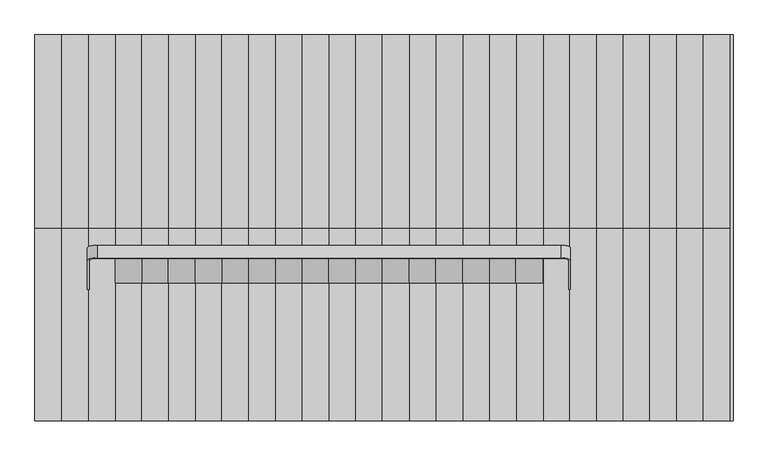
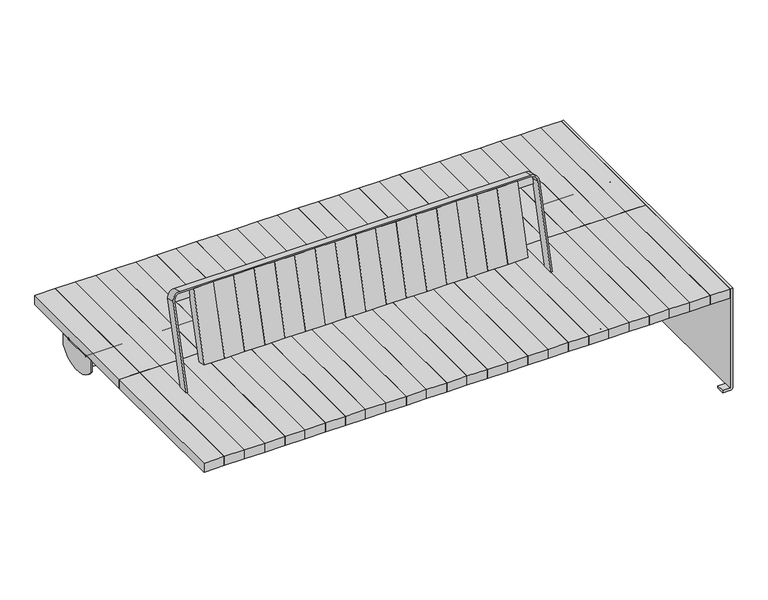
"""IFC4 building model written with IfcOpenShell, lengths in millimetres: furniture geometry."""

from ifc_helpers import new_model, si_unit, point, frame, frame_2d, origin, place, context, project, spatial, polyline, circle_curve, trimmed, segment, composite_curve, outline, extrude, source, transform, mapped, element, save
from ifc_brep_helpers import plane_surface, cylinder_surface, revolved_surface, advanced_brep


def furniture_5f53de30(model_context):
    return source(origin(), model_context, "Body", "SolidModel", [
        advanced_brep(
        [(1073.85, 400.0, 393.1147491), (1073.85, 400.0, 347.7588499), (1073.85, 200.0, 347.7588499), (1073.85, 200.0004802, 395.6382749), (1073.85, 237.5004802, 395.6382749), (1073.85, 237.5004802, 393.1147491), (1073.85, 239.4872061, 393.1147491), (1073.85, 239.4872061, 340.151549), (1073.85, 244.4872061, 340.151549), (1073.85, 244.4872061, 393.1147491), (1073.85, 355.5132741, 393.1147491), (1073.85, 355.5132741, 340.151549), (1073.85, 360.5132741, 340.151549), (1073.85, 360.5132741, 393.1147491), (1078.85, 200.0, 347.7588499), (1078.85, 400.0, 347.7588499), (1078.85, 400.0, 393.1147491), (1078.85, 237.5004802, 393.1147491), (1078.85, 237.5004802, 400.6382749), (1078.85, 200.0004802, 400.6382749), (-1078.85, 200.0, 400.6382749), (-1078.85, 200.0, 347.7588499), (-1073.85, 200.0, 347.7588499), (-1073.85, 200.0, 395.6382749), (1073.85, 237.5004802, 400.6382749), (-1073.85, 237.5004802, 395.6382749), (-1073.85, 237.5004802, 393.1147491), (-1078.85, 237.5004802, 393.1147491), (-1078.85, 237.5004802, 395.6382749), (1073.85, 238.4872061, 400.6382749), (-1078.85, 238.4872061, 400.6382749), (-1078.85, 238.4872061, 395.6382749), (1073.85, 238.4872061, 395.6382749), (-1073.85, 400.0, 347.7588499), (-1073.85, 400.0, 393.1147491), (-1073.85, 360.5132741, 393.1147491), (-1073.85, 360.5132741, 340.151549), (-1073.85, 355.5132741, 340.151549), (-1073.85, 355.5132741, 393.1147491), (-1073.85, 244.4872061, 393.1147491), (-1073.85, 244.4872061, 340.151549), (-1073.85, 239.4872061, 340.151549), (-1073.85, 239.4872061, 393.1147491), (-1078.85, 244.4872061, 394.6382749), (-1078.85, 244.4872061, 393.1147491), (-1078.85, 355.5132741, 393.1147491), (-1078.85, 355.5132741, 394.6382749), (-1078.85, 361.5132741, 400.6382749), (-1078.85, 362.5, 400.6382749), (-1078.85, 362.5, 395.6382749), (-1078.85, 361.5132741, 395.6382749), (-1078.85, 360.5132741, 394.6382749), (-1078.85, 360.5132741, 393.1147491), (-1078.85, 400.0, 393.1147491), (-1078.85, 400.0, 347.7588499), (-1078.85, 239.4872061, 393.1147491), (-1078.85, 239.4872061, 394.6382749), (1073.85, 244.4872061, 394.6382749), (1073.85, 239.4872061, 394.6382749), (1073.85, 360.5132741, 394.6382749), (1073.85, 361.5132741, 395.6382749), (1073.85, 362.5, 395.6382749), (1073.85, 362.5, 400.6382749), (1073.85, 361.5132741, 400.6382749), (1073.85, 355.5132741, 394.6382749)],
        [
            (0, 1),
            (1, 2, circle_curve(frame((1073.85, 300.0, 421.080061), z_axis=(-1.0, 0.0, 0.0), x_axis=(0.0, 0.8064516129032312, -0.5913000896717141)), 124.0)),
            (2, 3),
            (3, 4),
            (4, 5),
            (5, 6),
            (6, 7),
            (7, 8),
            (8, 9),
            (9, 10),
            (10, 11),
            (11, 12),
            (12, 13),
            (13, 0),
            (14, 15, circle_curve(frame((1078.85, 300.0, 421.080061), z_axis=(1.0, 0.0, 0.0), x_axis=(0.0, 0.8064516129032312, -0.5913000896717141)), 124.0)),
            (15, 16),
            (16, 17),
            (17, 18),
            (18, 19),
            (19, 14),
            (2, 14),
            (19, 20),
            (20, 21),
            (21, 22),
            (22, 23),
            (23, 3),
            (16, 0),
            (13, 10),
            (9, 6),
            (5, 17),
            (15, 1),
            (4, 24),
            (24, 18),
            (25, 26),
            (26, 27),
            (27, 28),
            (28, 25),
            (24, 29),
            (29, 30),
            (30, 20),
            (23, 25),
            (28, 31),
            (31, 32),
            (32, 4),
            (22, 33, circle_curve(frame((-1073.85, 300.0, 421.080061), z_axis=(1.0, 0.0, 0.0), x_axis=(0.0, 0.8064516129032312, -0.5913000896717141)), 124.0)),
            (33, 34),
            (34, 35),
            (35, 36),
            (36, 37),
            (37, 38),
            (38, 39),
            (39, 40),
            (40, 41),
            (41, 42),
            (42, 26),
            (30, 43, circle_curve(frame((-1078.85, 238.4872061, 394.6382749), z_axis=(-1.0, 0.0, 0.0), x_axis=(0.0, -1.0, 0.0)), 6.0)),
            (43, 44),
            (44, 45),
            (45, 46),
            (46, 47, circle_curve(frame((-1078.85, 361.5132741, 394.6382749), z_axis=(-1.0, 0.0, 0.0), x_axis=(0.0, 1.0, 0.0)), 6.0)),
            (47, 48),
            (48, 49),
            (49, 50),
            (50, 51, circle_curve(frame((-1078.85, 361.5132741, 394.6382749), z_axis=(1.0, 0.0, 0.0), x_axis=(0.0, 1.0, 0.0)), 1.0)),
            (51, 52),
            (52, 53),
            (53, 54),
            (54, 21, circle_curve(frame((-1078.85, 300.0, 421.080061), z_axis=(-1.0, 0.0, 0.0), x_axis=(0.0, 0.8064516129032312, -0.5913000896717141)), 124.0)),
            (27, 55),
            (55, 56),
            (56, 31, circle_curve(frame((-1078.85, 238.4872061, 394.6382749), z_axis=(1.0, 0.0, 0.0), x_axis=(0.0, -1.0, 0.0)), 1.0)),
            (57, 29, circle_curve(frame((1073.85, 238.4872061, 394.6382749), z_axis=(1.0, 0.0, 0.0), x_axis=(0.0, -1.0, 0.0)), 6.0)),
            (32, 58, circle_curve(frame((1073.85, 238.4872061, 394.6382749), z_axis=(-1.0, 0.0, 0.0), x_axis=(0.0, -1.0, 0.0)), 1.0)),
            (58, 6),
            (9, 57),
            (7, 41),
            (40, 8),
            (43, 57),
            (39, 44),
            (56, 58),
            (55, 42),
            (59, 60, circle_curve(frame((1073.85, 361.5132741, 394.6382749), z_axis=(-1.0, 0.0, 0.0), x_axis=(0.0, 1.0, 0.0)), 1.0)),
            (60, 61),
            (61, 62),
            (62, 63),
            (63, 64, circle_curve(frame((1073.85, 361.5132741, 394.6382749), z_axis=(1.0, 0.0, 0.0), x_axis=(0.0, 1.0, 0.0)), 6.0)),
            (64, 10),
            (13, 59),
            (11, 37),
            (36, 12),
            (64, 46),
            (45, 38),
            (63, 47),
            (62, 48),
            (61, 49),
            (60, 50),
            (59, 51),
            (35, 52),
            (34, 53),
            (33, 54),
        ],
        [
            plane_surface(frame((1073.85, 200.0, 347.7588499), z_axis=(-1.0, 0.0, 0.0), x_axis=(0.0, 0.0, 1.0))),
            plane_surface(frame((1078.85, 200.0, 347.7588499), z_axis=(1.0, 0.0, 0.0), x_axis=(0.0, 0.0, -1.0))),
            plane_surface(frame((1073.85, 200.0, 347.7588499), z_axis=(0.0, -1.0, 0.0), x_axis=(1.0, 0.0, 0.0))),
            plane_surface(frame((1073.85, 200.0, 393.1147491), z_axis=(0.0, 0.0, 1.0), x_axis=(1.0, 0.0, 0.0))),
            plane_surface(frame((1073.85, 400.0, 393.1147491), z_axis=(0.0, 1.0, 0.0), x_axis=(1.0, 0.0, 0.0))),
            cylinder_surface(frame((1078.85, 300.0, 421.080061), z_axis=(-1.0000000000000002, 0.0, 0.0), x_axis=(0.0, 0.8064516129032312, -0.5913000896717141)), 124.0),
            plane_surface(frame((1073.85, 237.5004802, 393.1147491), z_axis=(0.0, 1.0, 0.0), x_axis=(0.0, 0.0, 1.0))),
            plane_surface(frame((1078.85, 200.0004802, 400.6382749), z_axis=(0.0, 0.0, 1.0), x_axis=(0.0, 1.0, 0.0))),
            plane_surface(frame((-1073.85, 200.0004802, 395.6382749), z_axis=(0.0, 0.0, -1.0), x_axis=(0.0, 1.0, 0.0))),
            plane_surface(frame((-1073.85, 200.0004802, 393.1147491), z_axis=(1.0, 0.0, 0.0), x_axis=(0.0, 1.0, 0.0))),
            plane_surface(frame((-1078.85, 200.0004802, 400.6382749), z_axis=(-1.0, 0.0, 0.0), x_axis=(0.0, 1.0, 0.0))),
            plane_surface(frame((1073.85, 239.4872061, 340.151549), z_axis=(1.0, 0.0, 0.0), x_axis=(0.0, 1.0, 0.0))),
            plane_surface(frame((1073.85, 239.4872061, 340.151549), z_axis=(0.0, 0.0, -1.0), x_axis=(-1.0, 0.0, 0.0))),
            plane_surface(frame((1073.85, 244.4872061, 340.151549), z_axis=(0.0, 1.0, 0.0), x_axis=(-1.0, 0.0, 0.0))),
            cylinder_surface(frame((-1078.85, 238.4872061, 394.6382749), z_axis=(1.0, 0.0, 0.0), x_axis=(0.0, -1.0, 0.0)), 6.0),
            revolved_surface(polyline([(-1078.85, 237.4872061, 394.6382749), (1073.85, 237.4872061, 394.6382749)]), (-1078.85, 238.4872061, 394.6382749), (-1.0, 0.0, 0.0)),
            plane_surface(frame((1073.85, 239.4872061, 394.6382749), z_axis=(0.0, -1.0, 0.0), x_axis=(-1.0, 0.0, 0.0))),
            plane_surface(frame((1073.85, 360.5132741, 394.6382749), z_axis=(1.0, 0.0, 0.0), x_axis=(0.0, 0.0, 1.0))),
            plane_surface(frame((1073.85, 355.5132741, 340.151549), z_axis=(0.0, 0.0, -1.0), x_axis=(-1.0, 0.0, 0.0))),
            plane_surface(frame((1073.85, 355.5132741, 394.6382749), z_axis=(0.0, -1.0, 0.0), x_axis=(-1.0, 0.0, 0.0))),
            cylinder_surface(frame((-1078.85, 361.5132741, 394.6382749), z_axis=(1.0, 0.0, 0.0), x_axis=(0.0, 1.0, 0.0)), 6.0),
            plane_surface(frame((1073.85, 362.5, 400.6382749), z_axis=(0.0, 0.0, 1.0), x_axis=(-1.0, 0.0, 0.0))),
            plane_surface(frame((1073.85, 362.5, 395.6382749), z_axis=(0.0, 1.0, 0.0), x_axis=(-1.0, 0.0, 0.0))),
            plane_surface(frame((1073.85, 361.5132741, 395.6382749), z_axis=(0.0, 0.0, -1.0), x_axis=(-1.0, 0.0, 0.0))),
            revolved_surface(polyline([(-1078.85, 362.5132741, 394.6382749), (1073.85, 362.5132741, 394.6382749)]), (-1078.85, 361.5132741, 394.6382749), (-1.0, 0.0, 0.0)),
            plane_surface(frame((1073.85, 360.5132741, 340.151549), z_axis=(0.0, 1.0, 0.0), x_axis=(-1.0, 0.0, 0.0))),
            plane_surface(frame((-1073.85, 400.0, 393.1147491), z_axis=(0.0, 0.0, 1.0), x_axis=(-1.0, 0.0, 0.0))),
            plane_surface(frame((-1073.85, 400.0, 347.7588499), z_axis=(0.0, 1.0, 0.0), x_axis=(-1.0, 0.0, 0.0))),
            cylinder_surface(frame((-1078.85, 300.0, 421.080061), z_axis=(1.0000000000000002, 0.0, 0.0), x_axis=(0.0, 0.8064516129032312, -0.5913000896717141)), 124.0),
        ],
        [
            (0, [[1, 2, 3, 4, 5, 6, 7, 8, 9, 10, 11, 12, 13, 14]]),
            (1, [[15, 16, 17, 18, 19, 20]]),
            (2, [[21, -20, 22, 23, 24, 25, 26, -3]]),
            (3, [[27, -14, 28, -10, 29, -6, 30, -17]]),
            (4, [[-1, -27, -16, 31]]),
            (5, [[-2, -31, -15, -21]]),
            (6, [[-18, -30, -5, 32, 33]]),
            (6, [[34, 35, 36, 37]]),
            (7, [[-22, -19, -33, 38, 39, 40]]),
            (8, [[-26, 41, -37, 42, 43, 44, -4]]),
            (9, [[-25, 45, 46, 47, 48, 49, 50, 51, 52, 53, 54, 55, -34, -41]]),
            (10, [[-23, -40, 56, 57, 58, 59, 60, 61, 62, 63, 64, 65, 66, 67, 68], [-36, 69, 70, 71, -42]]),
            (11, [[72, -38, -32, -44, 73, 74, -29, 75]]),
            (12, [[-8, 76, -53, 77]]),
            (13, [[78, -75, -9, -77, -52, 79, -57]]),
            (14, [[-72, -78, -56, -39]]),
            (15, [[-73, -43, -71, 80]]),
            (16, [[-80, -70, 81, -54, -76, -7, -74]]),
            (17, [[82, 83, 84, 85, 86, 87, -28, 88]]),
            (18, [[-12, 89, -49, 90]]),
            (19, [[91, -59, 92, -50, -89, -11, -87]]),
            (20, [[-86, 93, -60, -91]]),
            (21, [[-85, 94, -61, -93]]),
            (22, [[-84, 95, -62, -94]]),
            (23, [[-83, 96, -63, -95]]),
            (24, [[-82, 97, -64, -96]]),
            (25, [[-97, -88, -13, -90, -48, 98, -65]]),
            (26, [[-69, -35, -55, -81]]),
            (26, [[-58, -79, -51, -92]]),
            (26, [[99, -66, -98, -47]]),
            (27, [[-46, 100, -67, -99]]),
            (28, [[-45, -24, -68, -100]]),
        ],
    ),
        extrude(outline(polyline([(83.1700951, 0.0), (0.0, 0.0), (0.0, 600.0), (83.1700951, 600.0), (83.1700951, 0.0)])), frame((0.0, 0.0, 400.6382749), z_axis=(0.0, 0.0, 1.0), x_axis=(1.0, 0.0, 0.0)), (0.0, 0.0, 1.0), 39.120575),
        extrude(outline(polyline([(165.5884938, 0.0), (83.1700951, 0.0), (83.1700951, 600.0), (165.5884938, 600.0), (165.5884938, 0.0)])), frame((0.0, 0.0, 400.6382749), z_axis=(0.0, 0.0, 1.0), x_axis=(1.0, 0.0, 0.0)), (0.0, 0.0, 1.0), 39.120575),
        extrude(outline(polyline([(249.0266735, 0.0), (165.5884938, 0.0), (165.5884938, 600.0), (249.0266735, 600.0), (249.0266735, 0.0)])), frame((0.0, 0.0, 400.6382749), z_axis=(0.0, 0.0, 1.0), x_axis=(1.0, 0.0, 0.0)), (0.0, 0.0, 1.0), 39.120575),
        extrude(outline(polyline([(331.8102592, 0.0), (249.0266735, 0.0), (249.0266735, 600.0), (331.8102592, 600.0), (331.8102592, 0.0)])), frame((0.0, 0.0, 400.6382749), z_axis=(0.0, 0.0, 1.0), x_axis=(1.0, 0.0, 0.0)), (0.0, 0.0, 1.0), 39.120575),
        extrude(outline(polyline([(415.2051572, 0.0), (331.8102592, 0.0), (331.8102592, 600.0), (415.2051572, 600.0), (415.2051572, 0.0)])), frame((0.0, 0.0, 400.6382749), z_axis=(0.0, 0.0, 1.0), x_axis=(1.0, 0.0, 0.0)), (0.0, 0.0, 1.0), 39.120575),
        extrude(outline(polyline([(498.7851293, 0.0), (415.2051572, 0.0), (415.2051572, 600.0), (498.7851293, 600.0), (498.7851293, 0.0)])), frame((0.0, 0.0, 400.6382749), z_axis=(0.0, 0.0, 1.0), x_axis=(1.0, 0.0, 0.0)), (0.0, 0.0, 1.0), 39.120575),
        extrude(outline(polyline([(580.2051572, 0.0), (498.7851293, 0.0), (498.7851293, 600.0), (580.2051572, 600.0), (580.2051572, 0.0)])), frame((0.0, 0.0, 400.6382749), z_axis=(0.0, 0.0, 1.0), x_axis=(1.0, 0.0, 0.0)), (0.0, 0.0, 1.0), 39.120575),
        extrude(outline(polyline([(663.7851293, 0.0), (580.2051572, 0.0), (580.2051572, 600.0), (663.7851293, 600.0), (663.7851293, 0.0)])), frame((0.0, 0.0, 400.6382749), z_axis=(0.0, 0.0, 1.0), x_axis=(1.0, 0.0, 0.0)), (0.0, 0.0, 1.0), 39.120575),
        extrude(outline(polyline([(746.8041619, 0.0), (663.7851293, 0.0), (663.7851293, 600.0), (746.8041619, 600.0), (746.8041619, 0.0)])), frame((0.0, 0.0, 400.6382749), z_axis=(0.0, 0.0, 1.0), x_axis=(1.0, 0.0, 0.0)), (0.0, 0.0, 1.0), 39.120575),
        extrude(outline(polyline([(1078.85, 0.0), (996.3916762, 0.0), (996.3916762, 600.0), (1078.85, 600.0), (1078.85, 0.0)])), frame((0.0, 0.0, 400.6382749), z_axis=(0.0, 0.0, 1.0), x_axis=(1.0, 0.0, 0.0)), (0.0, 0.0, 1.0), 39.120575),
        extrude(outline(polyline([(996.3916762, 0.0), (913.1958381, 0.0), (913.1958381, 600.0), (996.3916762, 600.0), (996.3916762, 0.0)])), frame((0.0, 0.0, 400.6382749), z_axis=(0.0, 0.0, 1.0), x_axis=(1.0, 0.0, 0.0)), (0.0, 0.0, 1.0), 39.120575),
        extrude(outline(polyline([(913.1958381, 0.0), (830.0, 0.0), (830.0, 600.0), (913.1958381, 600.0), (913.1958381, 0.0)])), frame((0.0, 0.0, 400.6382749), z_axis=(0.0, 0.0, 1.0), x_axis=(1.0, 0.0, 0.0)), (0.0, 0.0, 1.0), 39.120575),
        extrude(outline(polyline([(830.0, 0.0), (746.8041619, 0.0), (746.8041619, 600.0), (830.0, 600.0), (830.0, 0.0)])), frame((0.0, 0.0, 400.6382749), z_axis=(0.0, 0.0, 1.0), x_axis=(1.0, 0.0, 0.0)), (0.0, 0.0, 1.0), 39.120575),
        extrude(outline(polyline([(-83.1700951, 0.0), (-83.1700951, 600.0), (0.0, 600.0), (0.0, 0.0), (-83.1700951, 0.0)])), frame((0.0, 0.0, 400.6382749), z_axis=(0.0, 0.0, 1.0), x_axis=(1.0, 0.0, 0.0)), (0.0, 0.0, 1.0), 39.120575),
        extrude(outline(polyline([(-165.5884938, 0.0), (-165.5884938, 600.0), (-83.1700951, 600.0), (-83.1700951, 0.0), (-165.5884938, 0.0)])), frame((0.0, 0.0, 400.6382749), z_axis=(0.0, 0.0, 1.0), x_axis=(1.0, 0.0, 0.0)), (0.0, 0.0, 1.0), 39.120575),
        extrude(outline(polyline([(-249.0266735, 0.0), (-249.0266735, 600.0), (-165.5884938, 600.0), (-165.5884938, 0.0), (-249.0266735, 0.0)])), frame((0.0, 0.0, 400.6382749), z_axis=(0.0, 0.0, 1.0), x_axis=(1.0, 0.0, 0.0)), (0.0, 0.0, 1.0), 39.120575),
        extrude(outline(polyline([(-331.8102592, 0.0), (-331.8102592, 600.0), (-249.0266735, 600.0), (-249.0266735, 0.0), (-331.8102592, 0.0)])), frame((0.0, 0.0, 400.6382749), z_axis=(0.0, 0.0, 1.0), x_axis=(1.0, 0.0, 0.0)), (0.0, 0.0, 1.0), 39.120575),
        extrude(outline(polyline([(-415.2051572, 0.0), (-415.2051572, 600.0), (-331.8102592, 600.0), (-331.8102592, 0.0), (-415.2051572, 0.0)])), frame((0.0, 0.0, 400.6382749), z_axis=(0.0, 0.0, 1.0), x_axis=(1.0, 0.0, 0.0)), (0.0, 0.0, 1.0), 39.120575),
        extrude(outline(polyline([(-498.7851293, 0.0), (-498.7851293, 600.0), (-415.2051572, 600.0), (-415.2051572, 0.0), (-498.7851293, 0.0)])), frame((0.0, 0.0, 400.6382749), z_axis=(0.0, 0.0, 1.0), x_axis=(1.0, 0.0, 0.0)), (0.0, 0.0, 1.0), 39.120575),
        extrude(outline(polyline([(-580.2051572, 0.0), (-580.2051572, 600.0), (-498.7851293, 600.0), (-498.7851293, 0.0), (-580.2051572, 0.0)])), frame((0.0, 0.0, 400.6382749), z_axis=(0.0, 0.0, 1.0), x_axis=(1.0, 0.0, 0.0)), (0.0, 0.0, 1.0), 39.120575),
        extrude(outline(polyline([(-663.7851293, 0.0), (-663.7851293, 600.0), (-580.2051572, 600.0), (-580.2051572, 0.0), (-663.7851293, 0.0)])), frame((0.0, 0.0, 400.6382749), z_axis=(0.0, 0.0, 1.0), x_axis=(1.0, 0.0, 0.0)), (0.0, 0.0, 1.0), 39.120575),
        extrude(outline(polyline([(-746.8041619, 0.0), (-746.8041619, 600.0), (-663.7851293, 600.0), (-663.7851293, 0.0), (-746.8041619, 0.0)])), frame((0.0, 0.0, 400.6382749), z_axis=(0.0, 0.0, 1.0), x_axis=(1.0, 0.0, 0.0)), (0.0, 0.0, 1.0), 39.120575),
        extrude(outline(polyline([(-1078.85, 0.0), (-1078.85, 600.0), (-996.3916762, 600.0), (-996.3916762, 0.0), (-1078.85, 0.0)])), frame((0.0, 0.0, 400.6382749), z_axis=(0.0, 0.0, 1.0), x_axis=(1.0, 0.0, 0.0)), (0.0, 0.0, 1.0), 39.120575),
        extrude(outline(polyline([(-996.3916762, 0.0), (-996.3916762, 600.0), (-913.1958381, 600.0), (-913.1958381, 0.0), (-996.3916762, 0.0)])), frame((0.0, 0.0, 400.6382749), z_axis=(0.0, 0.0, 1.0), x_axis=(1.0, 0.0, 0.0)), (0.0, 0.0, 1.0), 39.120575),
        extrude(outline(polyline([(-913.1958381, 0.0), (-913.1958381, 600.0), (-830.0, 600.0), (-830.0, 0.0), (-913.1958381, 0.0)])), frame((0.0, 0.0, 400.6382749), z_axis=(0.0, 0.0, 1.0), x_axis=(1.0, 0.0, 0.0)), (0.0, 0.0, 1.0), 39.120575),
        extrude(outline(polyline([(-830.0, 0.0), (-830.0, 600.0), (-746.8041619, 600.0), (-746.8041619, 0.0), (-830.0, 0.0)])), frame((0.0, 0.0, 400.6382749), z_axis=(0.0, 0.0, 1.0), x_axis=(1.0, 0.0, 0.0)), (0.0, 0.0, 1.0), 39.120575),
        extrude(outline(polyline([(83.1700951, 0.0), (83.1700951, -600.0), (0.0, -600.0), (0.0, 0.0), (83.1700951, 0.0)])), frame((0.0, 0.0, 400.6382749), z_axis=(0.0, 0.0, 1.0), x_axis=(1.0, 0.0, 0.0)), (0.0, 0.0, 1.0), 39.120575),
        extrude(outline(polyline([(165.5884938, 0.0), (165.5884938, -600.0), (83.1700951, -600.0), (83.1700951, 0.0), (165.5884938, 0.0)])), frame((0.0, 0.0, 400.6382749), z_axis=(0.0, 0.0, 1.0), x_axis=(1.0, 0.0, 0.0)), (0.0, 0.0, 1.0), 39.120575),
        extrude(outline(polyline([(249.0266735, 0.0), (249.0266735, -600.0), (165.5884938, -600.0), (165.5884938, 0.0), (249.0266735, 0.0)])), frame((0.0, 0.0, 400.6382749), z_axis=(0.0, 0.0, 1.0), x_axis=(1.0, 0.0, 0.0)), (0.0, 0.0, 1.0), 39.120575),
        extrude(outline(polyline([(331.8102592, 0.0), (331.8102592, -600.0), (249.0266735, -600.0), (249.0266735, 0.0), (331.8102592, 0.0)])), frame((0.0, 0.0, 400.6382749), z_axis=(0.0, 0.0, 1.0), x_axis=(1.0, 0.0, 0.0)), (0.0, 0.0, 1.0), 39.120575),
        extrude(outline(polyline([(415.2051572, 0.0), (415.2051572, -600.0), (331.8102592, -600.0), (331.8102592, 0.0), (415.2051572, 0.0)])), frame((0.0, 0.0, 400.6382749), z_axis=(0.0, 0.0, 1.0), x_axis=(1.0, 0.0, 0.0)), (0.0, 0.0, 1.0), 39.120575),
        extrude(outline(polyline([(498.7851293, 0.0), (498.7851293, -600.0), (415.2051572, -600.0), (415.2051572, 0.0), (498.7851293, 0.0)])), frame((0.0, 0.0, 400.6382749), z_axis=(0.0, 0.0, 1.0), x_axis=(1.0, 0.0, 0.0)), (0.0, 0.0, 1.0), 39.120575),
        extrude(outline(polyline([(580.2051572, 0.0), (580.2051572, -600.0), (498.7851293, -600.0), (498.7851293, 0.0), (580.2051572, 0.0)])), frame((0.0, 0.0, 400.6382749), z_axis=(0.0, 0.0, 1.0), x_axis=(1.0, 0.0, 0.0)), (0.0, 0.0, 1.0), 39.120575),
        extrude(outline(polyline([(663.7851293, 0.0), (663.7851293, -600.0), (580.2051572, -600.0), (580.2051572, 0.0), (663.7851293, 0.0)])), frame((0.0, 0.0, 400.6382749), z_axis=(0.0, 0.0, 1.0), x_axis=(1.0, 0.0, 0.0)), (0.0, 0.0, 1.0), 39.120575),
        extrude(outline(polyline([(746.8041619, 0.0), (746.8041619, -600.0), (663.7851293, -600.0), (663.7851293, 0.0), (746.8041619, 0.0)])), frame((0.0, 0.0, 400.6382749), z_axis=(0.0, 0.0, 1.0), x_axis=(1.0, 0.0, 0.0)), (0.0, 0.0, 1.0), 39.120575),
        extrude(outline(polyline([(1078.85, 0.0), (1078.85, -600.0), (996.3916762, -600.0), (996.3916762, 0.0), (1078.85, 0.0)])), frame((0.0, 0.0, 400.6382749), z_axis=(0.0, 0.0, 1.0), x_axis=(1.0, 0.0, 0.0)), (0.0, 0.0, 1.0), 39.120575),
        extrude(outline(polyline([(996.3916762, 0.0), (996.3916762, -600.0), (913.1958381, -600.0), (913.1958381, 0.0), (996.3916762, 0.0)])), frame((0.0, 0.0, 400.6382749), z_axis=(0.0, 0.0, 1.0), x_axis=(1.0, 0.0, 0.0)), (0.0, 0.0, 1.0), 39.120575),
        extrude(outline(polyline([(913.1958381, 0.0), (913.1958381, -600.0), (830.0, -600.0), (830.0, 0.0), (913.1958381, 0.0)])), frame((0.0, 0.0, 400.6382749), z_axis=(0.0, 0.0, 1.0), x_axis=(1.0, 0.0, 0.0)), (0.0, 0.0, 1.0), 39.120575),
        extrude(outline(polyline([(830.0, 0.0), (830.0, -600.0), (746.8041619, -600.0), (746.8041619, 0.0), (830.0, 0.0)])), frame((0.0, 0.0, 400.6382749), z_axis=(0.0, 0.0, 1.0), x_axis=(1.0, 0.0, 0.0)), (0.0, 0.0, 1.0), 39.120575),
        extrude(outline(polyline([(-83.1700951, 0.0), (0.0, 0.0), (0.0, -600.0), (-83.1700951, -600.0), (-83.1700951, 0.0)])), frame((0.0, 0.0, 400.6382749), z_axis=(0.0, 0.0, 1.0), x_axis=(1.0, 0.0, 0.0)), (0.0, 0.0, 1.0), 39.120575),
        extrude(outline(polyline([(-165.5884938, 0.0), (-83.1700951, 0.0), (-83.1700951, -600.0), (-165.5884938, -600.0), (-165.5884938, 0.0)])), frame((0.0, 0.0, 400.6382749), z_axis=(0.0, 0.0, 1.0), x_axis=(1.0, 0.0, 0.0)), (0.0, 0.0, 1.0), 39.120575),
        extrude(outline(polyline([(-249.0266735, 0.0), (-165.5884938, 0.0), (-165.5884938, -600.0), (-249.0266735, -600.0), (-249.0266735, 0.0)])), frame((0.0, 0.0, 400.6382749), z_axis=(0.0, 0.0, 1.0), x_axis=(1.0, 0.0, 0.0)), (0.0, 0.0, 1.0), 39.120575),
        extrude(outline(polyline([(-331.8102592, 0.0), (-249.0266735, 0.0), (-249.0266735, -600.0), (-331.8102592, -600.0), (-331.8102592, 0.0)])), frame((0.0, 0.0, 400.6382749), z_axis=(0.0, 0.0, 1.0), x_axis=(1.0, 0.0, 0.0)), (0.0, 0.0, 1.0), 39.120575),
        extrude(outline(polyline([(-415.2051572, 0.0), (-331.8102592, 0.0), (-331.8102592, -600.0), (-415.2051572, -600.0), (-415.2051572, 0.0)])), frame((0.0, 0.0, 400.6382749), z_axis=(0.0, 0.0, 1.0), x_axis=(1.0, 0.0, 0.0)), (0.0, 0.0, 1.0), 39.120575),
        extrude(outline(polyline([(-498.7851293, 0.0), (-415.2051572, 0.0), (-415.2051572, -600.0), (-498.7851293, -600.0), (-498.7851293, 0.0)])), frame((0.0, 0.0, 400.6382749), z_axis=(0.0, 0.0, 1.0), x_axis=(1.0, 0.0, 0.0)), (0.0, 0.0, 1.0), 39.120575),
        extrude(outline(polyline([(-580.2051572, 0.0), (-498.7851293, 0.0), (-498.7851293, -600.0), (-580.2051572, -600.0), (-580.2051572, 0.0)])), frame((0.0, 0.0, 400.6382749), z_axis=(0.0, 0.0, 1.0), x_axis=(1.0, 0.0, 0.0)), (0.0, 0.0, 1.0), 39.120575),
        extrude(outline(polyline([(-663.7851293, 0.0), (-580.2051572, 0.0), (-580.2051572, -600.0), (-663.7851293, -600.0), (-663.7851293, 0.0)])), frame((0.0, 0.0, 400.6382749), z_axis=(0.0, 0.0, 1.0), x_axis=(1.0, 0.0, 0.0)), (0.0, 0.0, 1.0), 39.120575),
        extrude(outline(polyline([(-746.8041619, 0.0), (-663.7851293, 0.0), (-663.7851293, -600.0), (-746.8041619, -600.0), (-746.8041619, 0.0)])), frame((0.0, 0.0, 400.6382749), z_axis=(0.0, 0.0, 1.0), x_axis=(1.0, 0.0, 0.0)), (0.0, 0.0, 1.0), 39.120575),
        extrude(outline(polyline([(-1078.85, 0.0), (-996.3916762, 0.0), (-996.3916762, -600.0), (-1078.85, -600.0), (-1078.85, 0.0)])), frame((0.0, 0.0, 400.6382749), z_axis=(0.0, 0.0, 1.0), x_axis=(1.0, 0.0, 0.0)), (0.0, 0.0, 1.0), 39.120575),
        extrude(outline(polyline([(-996.3916762, 0.0), (-913.1958381, 0.0), (-913.1958381, -600.0), (-996.3916762, -600.0), (-996.3916762, 0.0)])), frame((0.0, 0.0, 400.6382749), z_axis=(0.0, 0.0, 1.0), x_axis=(1.0, 0.0, 0.0)), (0.0, 0.0, 1.0), 39.120575),
        extrude(outline(polyline([(-913.1958381, 0.0), (-830.0, 0.0), (-830.0, -600.0), (-913.1958381, -600.0), (-913.1958381, 0.0)])), frame((0.0, 0.0, 400.6382749), z_axis=(0.0, 0.0, 1.0), x_axis=(1.0, 0.0, 0.0)), (0.0, 0.0, 1.0), 39.120575),
        extrude(outline(polyline([(-830.0, 0.0), (-746.8041619, 0.0), (-746.8041619, -600.0), (-830.0, -600.0), (-830.0, 0.0)])), frame((0.0, 0.0, 400.6382749), z_axis=(0.0, 0.0, 1.0), x_axis=(1.0, 0.0, 0.0)), (0.0, 0.0, 1.0), 39.120575),
        extrude(outline(polyline([(0.0, -83.5799721), (0.0, 0.0), (39.1205751, 0.0), (39.1205751, -83.5799721), (0.0, -83.5799721)])), frame((414.2050695, -171.2474704, 518.4817281), z_axis=(0.0, 0.258819045102521, 0.9659258262890683), x_axis=(0.0, 0.9659258262890683, -0.258819045102521)), (0.0, 0.0, 1.0), 296.0),
        extrude(outline(polyline([(0.0, -81.4200279), (0.0, 0.0), (39.1205751, 0.0), (39.1205751, -81.4200279), (0.0, -81.4200279)])), frame((332.7850416, -171.2474704, 518.4817281), z_axis=(0.0, 0.25881904510252124, 0.9659258262890682), x_axis=(0.0, 0.9659258262890682, -0.25881904510252124)), (0.0, 0.0, 1.0), 296.0),
        extrude(outline(polyline([(0.0, -83.5799721), (0.0, 0.0), (39.1205751, 0.0), (39.1205751, -83.5799721), (0.0, -83.5799721)])), frame((249.2050695, -171.2474704, 518.4817281), z_axis=(0.0, 0.25881904510252113, 0.9659258262890683), x_axis=(0.0, 0.9659258262890683, -0.25881904510252113)), (0.0, 0.0, 1.0), 296.0),
        extrude(outline(polyline([(0.0, -83.394898), (0.0, 0.0), (39.1205751, 0.0), (39.1205751, -83.394898), (0.0, -83.394898)])), frame((165.8101715, -171.2474704, 518.4817281), z_axis=(0.0, 0.25881904510252124, 0.9659258262890682), x_axis=(0.0, 0.9659258262890682, -0.25881904510252124)), (0.0, 0.0, 1.0), 296.0),
        extrude(outline(polyline([(0.0, -82.7835857), (0.0, 0.0), (39.1205751, 0.0), (39.1205751, -82.7835857), (0.0, -82.7835857)])), frame((83.0265858, -171.2474704, 518.4817281), z_axis=(0.0, 0.258819045102521, 0.9659258262890683), x_axis=(0.0, 0.9659258262890683, -0.258819045102521)), (0.0, 0.0, 1.0), 296.0),
        extrude(outline(polyline([(0.0, -83.4381797), (0.0, 0.0), (39.1205751, 0.0), (39.1205751, -83.4381797), (0.0, -83.4381797)])), frame((-0.4115939, -171.2474704, 518.4817281), z_axis=(0.0, 0.25881904510252124, 0.9659258262890682), x_axis=(0.0, 0.9659258262890682, -0.25881904510252124)), (0.0, 0.0, 1.0), 296.0),
        extrude(outline(polyline([(0.0, -82.4183987), (0.0, 0.0), (39.1205751, 0.0), (39.1205751, -82.4183987), (0.0, -82.4183987)])), frame((-82.8299926, -171.2474704, 518.4817281), z_axis=(0.0, 0.258819045102521, 0.9659258262890683), x_axis=(0.0, 0.9659258262890683, -0.258819045102521)), (0.0, 0.0, 1.0), 296.0),
        extrude(outline(polyline([(0.0, -83.1700951), (0.0, 0.0), (39.1205751, 0.0), (39.1205751, -83.1700951), (0.0, -83.1700951)])), frame((-166.0000877, -171.2474704, 518.4817281), z_axis=(0.0, 0.25881904510252124, 0.9659258262890682), x_axis=(0.0, 0.9659258262890682, -0.25881904510252124)), (0.0, 0.0, 1.0), 296.0),
        extrude(outline(polyline([(0.0, -83.1700951), (0.0, 0.0), (39.1205751, 0.0), (39.1205751, -83.1700951), (0.0, -83.1700951)])), frame((-249.1701828, -171.2474704, 518.4817281), z_axis=(0.0, 0.25881904510252113, 0.9659258262890683), x_axis=(0.0, 0.9659258262890683, -0.25881904510252113)), (0.0, 0.0, 1.0), 296.0),
        extrude(outline(polyline([(0.0, -82.4183987), (0.0, 0.0), (39.1205751, 0.0), (39.1205751, -82.4183987), (0.0, -82.4183987)])), frame((-331.5885815, -171.2474704, 518.4817281), z_axis=(0.0, 0.25881904510252124, 0.9659258262890682), x_axis=(0.0, 0.9659258262890682, -0.25881904510252124)), (0.0, 0.0, 1.0), 296.0),
        extrude(outline(polyline([(0.0, -83.4381797), (0.0, 0.0), (39.1205751, 0.0), (39.1205751, -83.4381797), (0.0, -83.4381797)])), frame((-415.0267612, -171.2474704, 518.4817281), z_axis=(0.0, 0.25881904510252113, 0.9659258262890683), x_axis=(0.0, 0.9659258262890683, -0.25881904510252113)), (0.0, 0.0, 1.0), 296.0),
        extrude(outline(polyline([(0.0, -82.7835857), (0.0, 0.0), (39.1205751, 0.0), (39.1205751, -82.7835857), (0.0, -82.7835857)])), frame((-497.8103469, -171.2474704, 518.4817281), z_axis=(0.0, 0.25881904510252124, 0.9659258262890682), x_axis=(0.0, 0.9659258262890682, -0.25881904510252124)), (0.0, 0.0, 1.0), 296.0),
        extrude(outline(polyline([(0.0, -83.394898), (0.0, 0.0), (39.1205751, 0.0), (39.1205751, -83.394898), (0.0, -83.394898)])), frame((-581.2052449, -171.2474704, 518.4817281), z_axis=(0.0, 0.258819045102521, 0.9659258262890683), x_axis=(0.0, 0.9659258262890683, -0.258819045102521)), (0.0, 0.0, 1.0), 296.0),
        extrude(outline(polyline([(0.0, -83.5799721), (0.0, 0.0), (39.1205751, 0.0), (39.1205751, -83.5799721), (0.0, -83.5799721)])), frame((-664.785217, -171.2474704, 518.4817281), z_axis=(0.0, 0.258819045102521, 0.9659258262890683), x_axis=(0.0, 0.9659258262890683, -0.258819045102521)), (0.0, 0.0, 1.0), 296.0),
        extrude(outline(polyline([(0.0, -81.4200279), (0.0, 0.0), (39.1205751, 0.0), (39.1205751, -81.4200279), (0.0, -81.4200279)])), frame((-746.2052449, -171.2474704, 518.4817281), z_axis=(0.0, 0.2588190451025194, 0.9659258262890688), x_axis=(0.0, 0.9659258262890688, -0.2588190451025194)), (0.0, 0.0, 1.0), 296.0),
        extrude(outline(polyline([(0.0, -83.5799721), (0.0, 0.0), (39.1205751, 0.0), (39.1205751, -83.5799721), (0.0, -83.5799721)])), frame((-829.785217, -171.2474704, 518.4817281), z_axis=(0.0, 0.2588190451025194, 0.9659258262890688), x_axis=(0.0, 0.9659258262890688, -0.2588190451025194)), (0.0, 0.0, 1.0), 296.0),
        extrude(outline(composite_curve([segment(polyline([(0.9998586, 0.0), (0.9998586, -20.0)]), True, "CONTINUOUS"), segment(trimmed(circle_curve(frame_2d((-24.0001414, -20.0)), 25.0), [point((0.9998586, -20.0))], [point((-24.0001414, -45.0))], False, "CARTESIAN"), True, "CONTINUOUS"), segment(polyline([(-24.0001414, -45.0), (-1462.0, -45.0)]), True, "CONTINUOUS"), segment(trimmed(circle_curve(frame_2d((-1462.0, -20.0)), 25.0), [point((-1462.0, -45.0))], [point((-1487.0, -20.0))], False, "CARTESIAN"), True, "CONTINUOUS"), segment(polyline([(-1487.0, -20.0), (-1487.0, 0.0), (0.9998586, 0.0)]), True, "CONTINUOUS")], self_intersect=False)), frame((-909.0001584, -67.646857, 750.5763487), z_axis=(0.0, -0.9659258262890719, 0.25881904510250753), x_axis=(-1.0, 0.0, 0.0)), (0.0, 0.0, 1.0), 3.0),
        advanced_brep(
        [(-910.000017, -192.9882702, 437.3439587), (-910.000017, -197.8178993, 433.6380539), (-910.000017, -535.5529143, 433.6380539), (-910.000017, -545.5529143, 423.6380539), (-910.000017, -545.5529143, 411.6380539), (-910.000017, -535.5529143, 401.6380539), (-910.000017, -180.327766, 401.6380539), (-910.000017, -156.1796204, 420.1675778), (-910.000017, -62.4704761, 769.8948652), (-910.000017, -101.1075092, 780.247627), (-916.000017, -156.1796204, 420.1675778), (-916.000017, -180.327766, 401.6380539), (-916.000017, -535.5529143, 401.6380539), (-916.000017, -545.5529143, 411.6380539), (-916.000017, -545.5529143, 423.6380539), (-916.000017, -535.5529143, 433.6380539), (-916.000017, -197.8178993, 433.6380539), (-916.000017, -192.9882702, 437.3439587), (-916.000017, -100.8486901, 781.2135528), (-916.000017, -62.2116571, 770.860791), (-885.000017, -94.6370331, 804.3957727), (552.9998416, -94.6370331, 804.3957727), (577.9998416, -101.1075092, 780.247627), (577.9998416, -192.9882702, 437.3439587), (583.9998416, -192.9882702, 437.3439587), (583.9998416, -100.8486901, 781.2135528), (553.9998416, -93.0841188, 810.1913276), (-886.000017, -93.0841188, 810.1913276), (-886.000017, -54.4470857, 799.8385658), (553.9998416, -54.4470857, 799.8385658), (583.9998416, -62.2116571, 770.860791), (583.9998416, -156.1796204, 420.1675778), (577.9998416, -156.1796204, 420.1675778), (577.9998416, -62.4704761, 769.8948652), (552.9998416, -56.0, 794.0430109), (-885.000017, -56.0, 794.0430109), (577.9998416, -180.327766, 401.6380539), (577.9998416, -535.5529143, 401.6380539), (577.9998416, -545.5529143, 411.6380539), (577.9998416, -545.5529143, 423.6380539), (577.9998416, -535.5529143, 433.6380539), (577.9998416, -197.8178993, 433.6380539), (583.9998416, -197.8178993, 433.6380539), (583.9998416, -535.5529143, 433.6380539), (583.9998416, -545.5529143, 423.6380539), (583.9998416, -545.5529143, 411.6380539), (583.9998416, -535.5529143, 401.6380539), (583.9998416, -180.327766, 401.6380539)],
        [
            (0, 1, circle_curve(frame((-910.000017, -197.8178993, 438.6380539), z_axis=(-1.0, 0.0, 0.0), x_axis=(0.0, 0.0, -1.0)), 5.0)),
            (1, 2),
            (2, 3, circle_curve(frame((-910.000017, -535.5529143, 423.6380539), z_axis=(1.0, 0.0, 0.0), x_axis=(0.0, -1.0, 0.0)), 10.0)),
            (3, 4),
            (4, 5, circle_curve(frame((-910.000017, -535.5529143, 411.6380539), z_axis=(1.0, 0.0, 0.0), x_axis=(0.0, -1.0, 0.0)), 10.0)),
            (5, 6),
            (6, 7, circle_curve(frame((-910.000017, -180.327766, 426.6380539), z_axis=(1.0, 0.0, 0.0), x_axis=(0.0, 0.0, -1.0)), 25.0)),
            (7, 8),
            (8, 9),
            (9, 0),
            (10, 11, circle_curve(frame((-916.000017, -180.327766, 426.6380539), z_axis=(-1.0, 0.0, 0.0), x_axis=(0.0, 0.0, -1.0)), 25.0)),
            (11, 12),
            (12, 13, circle_curve(frame((-916.000017, -535.5529143, 411.6380539), z_axis=(-1.0, 0.0, 0.0), x_axis=(0.0, -1.0, 0.0)), 10.0)),
            (13, 14),
            (14, 15, circle_curve(frame((-916.000017, -535.5529143, 423.6380539), z_axis=(-1.0, 0.0, 0.0), x_axis=(0.0, -1.0, 0.0)), 10.0)),
            (15, 16),
            (16, 17, circle_curve(frame((-916.000017, -197.8178993, 438.6380539), z_axis=(1.0, 0.0, 0.0), x_axis=(0.0, 0.0, -1.0)), 5.0)),
            (17, 18),
            (18, 19),
            (19, 10),
            (17, 0),
            (9, 20, circle_curve(frame((-885.000017, -101.1075092, 780.247627), z_axis=(0.0, 0.9659258262890719, -0.25881904510250753), x_axis=(0.0, -0.25881904510250753, -0.9659258262890719)), 25.0)),
            (20, 21),
            (21, 22, circle_curve(frame((552.9998416, -101.1075092, 780.247627), z_axis=(0.0, 0.9659258262890719, -0.25881904510250753), x_axis=(0.0, -0.25881904510250753, -0.9659258262890719)), 25.0)),
            (22, 23),
            (23, 24),
            (24, 25),
            (25, 26, circle_curve(frame((553.9998416, -100.8486901, 781.2135528), z_axis=(0.0, -0.9659258262890719, 0.25881904510250753), x_axis=(0.0, -0.25881904510250753, -0.9659258262890719)), 30.0)),
            (26, 27),
            (27, 18, circle_curve(frame((-886.000017, -100.8486901, 781.2135528), z_axis=(0.0, -0.9659258262890719, 0.25881904510250753), x_axis=(0.0, -0.25881904510250753, -0.9659258262890719)), 30.0)),
            (16, 1),
            (6, 11),
            (10, 7),
            (19, 28, circle_curve(frame((-886.000017, -62.2116571, 770.860791), z_axis=(0.0, 0.9659258262890719, -0.25881904510250753), x_axis=(0.0, -0.25881904510250753, -0.9659258262890719)), 30.0)),
            (28, 29),
            (29, 30, circle_curve(frame((553.9998416, -62.2116571, 770.860791), z_axis=(0.0, 0.9659258262890719, -0.25881904510250753), x_axis=(0.0, -0.25881904510250753, -0.9659258262890719)), 30.0)),
            (30, 31),
            (31, 32),
            (32, 33),
            (33, 34, circle_curve(frame((552.9998416, -62.4704761, 769.8948652), z_axis=(0.0, -0.9659258262890719, 0.25881904510250753), x_axis=(0.0, -0.25881904510250753, -0.9659258262890719)), 25.0)),
            (34, 35),
            (35, 8, circle_curve(frame((-885.000017, -62.4704761, 769.8948652), z_axis=(0.0, -0.9659258262890719, 0.25881904510250753), x_axis=(0.0, -0.25881904510250753, -0.9659258262890719)), 25.0)),
            (15, 2),
            (14, 3),
            (13, 4),
            (12, 5),
            (27, 28),
            (26, 29),
            (20, 35),
            (34, 21),
            (25, 30),
            (33, 22),
            (32, 36, circle_curve(frame((577.9998416, -180.327766, 426.6380539), z_axis=(-1.0, 0.0, 0.0), x_axis=(0.0, 0.0, -1.0)), 25.0)),
            (36, 37),
            (37, 38, circle_curve(frame((577.9998416, -535.5529143, 411.6380539), z_axis=(-1.0, 0.0, 0.0), x_axis=(0.0, -1.0, 0.0)), 10.0)),
            (38, 39),
            (39, 40, circle_curve(frame((577.9998416, -535.5529143, 423.6380539), z_axis=(-1.0, 0.0, 0.0), x_axis=(0.0, -1.0, 0.0)), 10.0)),
            (40, 41),
            (41, 23, circle_curve(frame((577.9998416, -197.8178993, 438.6380539), z_axis=(1.0, 0.0, 0.0), x_axis=(0.0, 0.0, -1.0)), 5.0)),
            (24, 42, circle_curve(frame((583.9998416, -197.8178993, 438.6380539), z_axis=(-1.0, 0.0, 0.0), x_axis=(0.0, 0.0, -1.0)), 5.0)),
            (42, 43),
            (43, 44, circle_curve(frame((583.9998416, -535.5529143, 423.6380539), z_axis=(1.0, 0.0, 0.0), x_axis=(0.0, -1.0, 0.0)), 10.0)),
            (44, 45),
            (45, 46, circle_curve(frame((583.9998416, -535.5529143, 411.6380539), z_axis=(1.0, 0.0, 0.0), x_axis=(0.0, -1.0, 0.0)), 10.0)),
            (46, 47),
            (47, 31, circle_curve(frame((583.9998416, -180.327766, 426.6380539), z_axis=(1.0, 0.0, 0.0), x_axis=(0.0, 0.0, -1.0)), 25.0)),
            (41, 42),
            (47, 36),
            (40, 43),
            (39, 44),
            (38, 45),
            (37, 46),
        ],
        [
            plane_surface(frame((-910.000017, -113.2720043, 734.8491132), z_axis=(1.0, 0.0, 0.0), x_axis=(0.0, -0.2588190451024944, -0.9659258262890754))),
            plane_surface(frame((-916.000017, -113.2720043, 734.8491132), z_axis=(-1.0, 0.0, 0.0), x_axis=(0.0, 0.2588190451024944, 0.9659258262890754))),
            plane_surface(frame((-910.000017, -113.2720043, 734.8491132), z_axis=(0.0, -0.9659258262890754, 0.2588190451024944), x_axis=(-1.0, 0.0, 0.0))),
            revolved_surface(polyline([(-916.000017, -197.8178993, 433.6380539), (-910.000017, -197.8178993, 433.6380539)]), (-916.000017, -197.8178993, 438.6380539), (-1.0, 0.0, 0.0)),
            cylinder_surface(frame((-916.000017, -180.327766, 426.6380539), z_axis=(1.0, 0.0, 0.0), x_axis=(0.0, 0.0, -1.0)), 25.0),
            plane_surface(frame((-910.000017, -156.1796204, 420.1675778), z_axis=(0.0, 0.9659258262890719, -0.2588190451025076), x_axis=(-1.0, 0.0, 0.0))),
            plane_surface(frame((-910.000017, -197.8178993, 433.6380539), z_axis=(0.0, 0.0, 1.0), x_axis=(-1.0, 0.0, 0.0))),
            cylinder_surface(frame((-916.000017, -535.5529143, 423.6380539), z_axis=(1.0, 0.0, 0.0), x_axis=(0.0, -1.0, 0.0)), 10.0),
            plane_surface(frame((-910.000017, -545.5529143, 423.6380539), z_axis=(0.0, -1.0, 0.0), x_axis=(-1.0, 0.0, 0.0))),
            cylinder_surface(frame((-916.000017, -535.5529143, 411.6380539), z_axis=(1.0, 0.0, 0.0), x_axis=(0.0, -1.0, 0.0)), 10.0),
            plane_surface(frame((-910.000017, -535.5529143, 401.6380539), z_axis=(0.0, 0.0, -1.0), x_axis=(-1.0, 0.0, 0.0))),
            cylinder_surface(frame((-886.000017, -100.8486901, 781.2135528), z_axis=(0.0, 0.9659258262890719, -0.25881904510250753), x_axis=(0.0, -0.25881904510250753, -0.9659258262890719)), 30.0),
            plane_surface(frame((-886.000017, -54.4470857, 799.8385658), z_axis=(0.0, 0.2588190451025075, 0.9659258262890719), x_axis=(0.0, -0.9659258262890719, 0.2588190451025075))),
            plane_surface(frame((-166.0000877, -56.0, 794.0430109), z_axis=(0.0, -0.25881904510250753, -0.9659258262890719), x_axis=(0.0, -0.9659258262890719, 0.25881904510250753))),
            revolved_surface(polyline([(-885.000017, -107.57798536397232, 756.0994813525291), (-885.000017, -68.94095223183245, 745.7467195268383)]), (-885.000017, -101.1075092, 780.247627), (0.0, -0.9659258262890719, 0.25881904510250753)),
            cylinder_surface(frame((553.9998416, -100.8486901, 781.2135528), z_axis=(0.0, 0.9659258262890719, -0.25881904510250753), x_axis=(0.0, -0.25881904510250753, -0.9659258262890719)), 30.0),
            revolved_surface(polyline([(552.9998416, -107.57798536397232, 756.0994813525291), (552.9998416, -68.94095223183245, 745.7467195268383)]), (552.9998416, -101.1075092, 780.247627), (0.0, -0.9659258262890719, 0.25881904510250753)),
            plane_surface(frame((577.9998416, -74.6349712, 724.4963514), z_axis=(-1.0, 0.0, 0.0), x_axis=(0.0, -0.9659258262890719, 0.2588190451025076))),
            plane_surface(frame((583.9998416, -62.2116571, 770.860791), z_axis=(1.0, 0.0, 0.0), x_axis=(0.0, -0.9659258262890719, 0.2588190451025075))),
            revolved_surface(polyline([(583.9998416, -197.8178993, 433.6380539), (577.9998416, -197.8178993, 433.6380539)]), (583.9998416, -197.8178993, 438.6380539), (1.0, 0.0, 0.0)),
            cylinder_surface(frame((583.9998416, -180.327766, 426.6380539), z_axis=(-1.0, 0.0, 0.0), x_axis=(0.0, 0.0, -1.0)), 25.0),
            plane_surface(frame((577.9998416, -535.5529143, 433.6380539), z_axis=(0.0, 0.0, 1.0), x_axis=(1.0, 0.0, 0.0))),
            cylinder_surface(frame((583.9998416, -535.5529143, 423.6380539), z_axis=(-1.0, 0.0, 0.0), x_axis=(0.0, -1.0, 0.0)), 10.0),
            plane_surface(frame((577.9998416, -545.5529143, 411.6380539), z_axis=(0.0, -1.0, 0.0), x_axis=(1.0, 0.0, 0.0))),
            cylinder_surface(frame((583.9998416, -535.5529143, 411.6380539), z_axis=(-1.0, 0.0, 0.0), x_axis=(0.0, -1.0, 0.0)), 10.0),
            plane_surface(frame((577.9998416, -180.327766, 401.6380539), z_axis=(0.0, 0.0, -1.0), x_axis=(1.0, 0.0, 0.0))),
        ],
        [
            (0, [[1, 2, 3, 4, 5, 6, 7, 8, 9, 10]]),
            (1, [[11, 12, 13, 14, 15, 16, 17, 18, 19, 20]]),
            (2, [[21, -10, 22, 23, 24, 25, 26, 27, 28, 29, 30, -18]]),
            (3, [[-1, -21, -17, 31]]),
            (4, [[-7, 32, -11, 33]]),
            (5, [[-33, -20, 34, 35, 36, 37, 38, 39, 40, 41, 42, -8]]),
            (6, [[-2, -31, -16, 43]]),
            (7, [[-3, -43, -15, 44]]),
            (8, [[-4, -44, -14, 45]]),
            (9, [[-5, -45, -13, 46]]),
            (10, [[-6, -46, -12, -32]]),
            (11, [[-34, -19, -30, 47]]),
            (12, [[-47, -29, 48, -35]]),
            (13, [[49, -41, 50, -23]]),
            (14, [[-42, -49, -22, -9]]),
            (15, [[-36, -48, -28, 51]]),
            (16, [[-40, 52, -24, -50]]),
            (17, [[-39, 53, 54, 55, 56, 57, 58, 59, -25, -52]]),
            (18, [[-37, -51, -27, 60, 61, 62, 63, 64, 65, 66]]),
            (19, [[-59, 67, -60, -26]]),
            (20, [[-53, -38, -66, 68]]),
            (21, [[-58, 69, -61, -67]]),
            (22, [[-57, 70, -62, -69]]),
            (23, [[-56, 71, -63, -70]]),
            (24, [[-55, 72, -64, -71]]),
            (25, [[-54, -68, -65, -72]]),
        ],
    ),
        extrude(outline(polyline([(395.6382749, 1073.85), (393.1147491, 1073.85), (393.1147491, 1078.85), (400.6382749, 1078.85), (400.6382749, -1078.85), (393.1147491, -1078.85), (393.1147491, -1073.85), (395.6382749, -1073.85), (395.6382749, 1073.85)])), frame((0.0, 362.5, 0.0), z_axis=(0.0, 1.0, 0.0), x_axis=(0.0, 0.0, 1.0)), (0.0, 0.0, 1.0), 37.5),
        advanced_brep(
        [(1088.85, 600.0, 10.0), (1077.85, 600.0, 0.0), (1048.0911501, 600.0, 0.0), (1048.0911501, 600.0, 10.0), (1078.85, 600.0, 10.0), (1078.85, 600.0, 439.7588499), (1088.85, 600.0, 439.7588499), (1078.85, 565.0, 10.0), (1048.0911501, 565.0, 10.0), (1048.0911501, 565.0, 0.0), (1077.85, 565.0, 0.0), (1088.85, 565.0, 10.0), (1078.85, -600.0, 10.0), (1078.85, -600.0, 439.7588499), (1078.85, -565.0, 10.0), (1088.85, -600.0, 439.7588499), (1088.85, -600.0, 10.0), (1088.85, -565.0, 10.0), (1048.0911501, -600.0, 10.0), (1048.0911501, -600.0, 0.0), (1077.85, -600.0, 0.0), (1077.85, -565.0, 0.0), (1048.0911501, -565.0, 0.0), (1048.0911501, -565.0, 10.0)],
        [
            (0, 1, circle_curve(frame((1078.8045455, 600.0, 10.0), z_axis=(0.0, 1.0, 0.0), x_axis=(1.0, 0.0, 0.0)), 10.0454545)),
            (1, 2),
            (2, 3),
            (3, 4),
            (4, 5),
            (5, 6),
            (6, 0),
            (7, 8),
            (8, 9),
            (9, 10),
            (10, 11, circle_curve(frame((1078.8045455, 565.0, 10.0), z_axis=(0.0, -1.0, 0.0), x_axis=(1.0, 0.0, 0.0)), 10.0454545)),
            (11, 7),
            (3, 8),
            (7, 4),
            (2, 9),
            (1, 10),
            (0, 11),
            (12, 13),
            (13, 5),
            (7, 14),
            (14, 12),
            (6, 15),
            (15, 16),
            (16, 17),
            (17, 11),
            (13, 15),
            (12, 18),
            (18, 19),
            (19, 20),
            (20, 16, circle_curve(frame((1078.8045455, -600.0, 10.0), z_axis=(0.0, -1.0, 0.0), x_axis=(1.0, 0.0, 0.0)), 10.0454545)),
            (17, 14),
            (17, 21, circle_curve(frame((1078.8045455, -565.0, 10.0), z_axis=(0.0, 1.0, 0.0), x_axis=(1.0, 0.0, 0.0)), 10.0454545)),
            (21, 22),
            (22, 23),
            (23, 14),
            (23, 18),
            (22, 19),
            (21, 20),
        ],
        [
            plane_surface(frame((1078.85, 600.0, 10.0), z_axis=(0.0, 1.0, 0.0), x_axis=(1.0, 0.0, 0.0))),
            plane_surface(frame((1078.85, 565.0, 10.0), z_axis=(0.0, -1.0, 0.0), x_axis=(-1.0, 0.0, 0.0))),
            plane_surface(frame((1048.0911501, 600.0, 10.0), z_axis=(0.0, 0.0, 1.0), x_axis=(0.0, -1.0, 0.0))),
            plane_surface(frame((1048.0911501, 600.0, 0.0), z_axis=(-1.0, 0.0, 0.0), x_axis=(0.0, -1.0, 0.0))),
            plane_surface(frame((1077.85, 600.0, 0.0), z_axis=(0.0, 0.0, -1.0), x_axis=(0.0, -1.0, 0.0))),
            cylinder_surface(frame((1078.8045455, 565.0, 10.0), z_axis=(0.0, 1.0, 0.0), x_axis=(1.0, 0.0, 0.0)), 10.0454545),
            plane_surface(frame((1078.85, 200.0, 10.0), z_axis=(-1.0, 0.0, 0.0), x_axis=(0.0, -1.0, 0.0))),
            plane_surface(frame((1088.85, 200.0, 10.0), z_axis=(1.0, 0.0, 0.0), x_axis=(0.0, 1.0, 0.0))),
            plane_surface(frame((1078.85, -600.0, 439.7588499), z_axis=(0.0, 0.0, 1.0), x_axis=(1.0, 0.0, 0.0))),
            plane_surface(frame((1078.85, -600.0, 10.0), z_axis=(0.0, -1.0, 0.0), x_axis=(1.0, 0.0, 0.0))),
            plane_surface(frame((1078.85, 600.0, 10.0), z_axis=(0.0, 0.0, -1.0), x_axis=(1.0, 0.0, 0.0))),
            plane_surface(frame((1048.0911501, -565.0, 10.0), z_axis=(0.0, 1.0, 0.0), x_axis=(1.0, 0.0, 0.0))),
            plane_surface(frame((1078.85, -600.0, 10.0), z_axis=(0.0, 0.0, 1.0), x_axis=(0.0, 1.0, 0.0))),
            plane_surface(frame((1048.0911501, -600.0, 10.0), z_axis=(-1.0, 0.0, 0.0), x_axis=(0.0, 1.0, 0.0))),
            plane_surface(frame((1048.0911501, -600.0, 0.0), z_axis=(0.0, 0.0, -1.0), x_axis=(0.0, 1.0, 0.0))),
            cylinder_surface(frame((1078.8045455, -565.0, 10.0), z_axis=(0.0, -1.0, 0.0), x_axis=(1.0, 0.0, 0.0)), 10.0454545),
        ],
        [
            (0, [[1, 2, 3, 4, 5, 6, 7]]),
            (1, [[8, 9, 10, 11, 12]]),
            (2, [[-4, 13, -8, 14]]),
            (3, [[-3, 15, -9, -13]]),
            (4, [[-2, 16, -10, -15]]),
            (5, [[-1, 17, -11, -16]]),
            (6, [[18, 19, -5, -14, 20, 21]]),
            (7, [[-7, 22, 23, 24, 25, -17]]),
            (8, [[-19, 26, -22, -6]]),
            (9, [[-18, 27, 28, 29, 30, -23, -26]]),
            (10, [[-12, -25, 31, -20]]),
            (11, [[32, 33, 34, 35, -31]]),
            (12, [[-27, -21, -35, 36]]),
            (13, [[-28, -36, -34, 37]]),
            (14, [[-29, -37, -33, 38]]),
            (15, [[-30, -38, -32, -24]]),
        ],
    ),
    ])


if __name__ == "__main__":
    model = new_model("IFC4")
    model_context = context("Model", 3, world=origin())
    ifc_project = project(units=[si_unit("LENGTHUNIT", "METRE", prefix="MILLI")], contexts=[model_context])
    site = spatial("IfcSite", under=ifc_project)
    building = spatial("IfcBuilding", under=site)
    placement = place(None, origin())
    furniture_shape = furniture_5f53de30(model_context)
    element("IfcFurniture", 1, at=placement, inside=building, context=model_context, shape_type="MappedRepresentation", body=[
        mapped(furniture_shape, transform((0.0, 0.0, 0.0), x_axis=(1.0, 0.0, 0.0), y_axis=(0.0, 1.0, 0.0), z_axis=(0.0, 0.0, 1.0))),
    ])
    save(model, "model.ifc")
